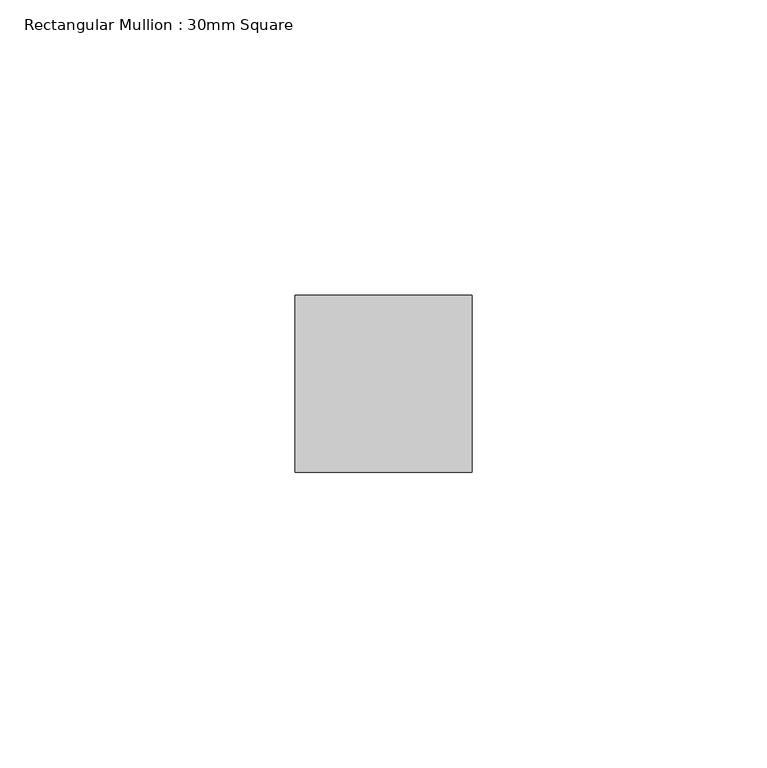
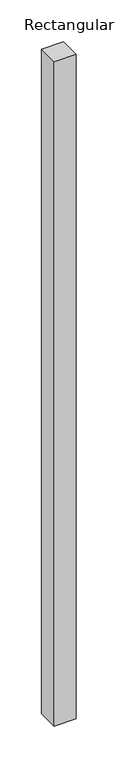
"""IFC4 building model written with IfcOpenShell, lengths in millimetres: member geometry, Rectangular Mullion : 30mm Square."""

from ifc_helpers import new_model, si_unit, frame, origin, place, context, project, spatial, polyline, outline, extrude, source, transform, mapped, element, save


def rectangular_mullion_30mm_square_ef8dd7fb(model_context):
    return source(origin(), model_context, "Body", "SweptSolid", [
        extrude(outline(polyline([(15.0, 15.0), (15.0, -15.0), (-15.0, -15.0), (-15.0, 15.0), (15.0, 15.0)])), frame((0.0, 0.0, -968.3455398), z_axis=(0.0, 0.0, 1.0), x_axis=(1.0, 0.0, 0.0)), (0.0, 0.0, 1.0), 968.3455398),
    ])


if __name__ == "__main__":
    model = new_model("IFC4")
    model_context = context("Model", 3, world=origin())
    ifc_project = project(units=[si_unit("LENGTHUNIT", "METRE", prefix="MILLI")], contexts=[model_context])
    site = spatial("IfcSite", under=ifc_project)
    building = spatial("IfcBuilding", under=site)
    placement = place(None, origin())
    rectangular_mullion_30mm_square_shape = rectangular_mullion_30mm_square_ef8dd7fb(model_context)
    element("IfcMember", 1, ObjectType="Rectangular Mullion : 30mm Square", at=placement, inside=building, context=model_context, shape_type="MappedRepresentation", body=[
        mapped(rectangular_mullion_30mm_square_shape, transform((0.0, 0.0, 0.0), x_axis=(1.0, 0.0, 0.0), y_axis=(0.0, 1.0, 0.0), z_axis=(0.0, 0.0, 1.0))),
    ])
    save(model, "model.ifc")
